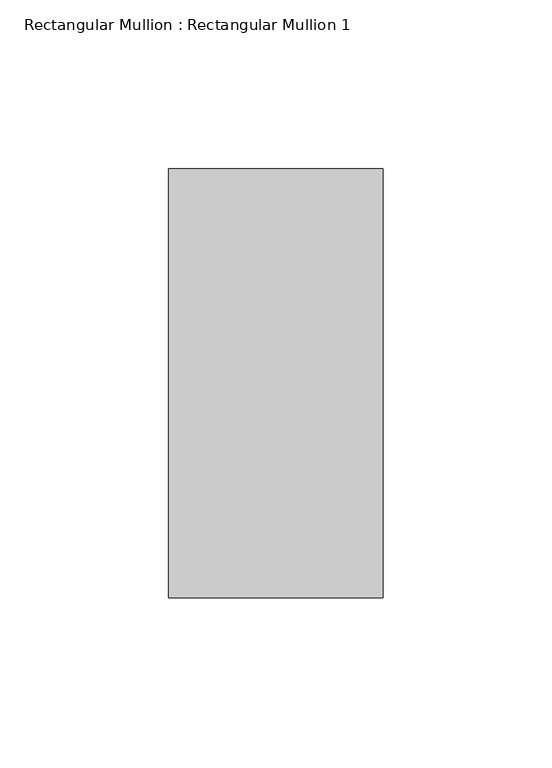
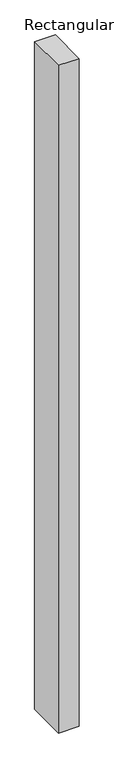
"""IFC4 building model written with IfcOpenShell, lengths in millimetres: member geometry, Rectangular Mullion : Rectangular Mullion 1."""

import ifcopenshell
import ifcopenshell.guid

model = None  # the IFC model being written
_history = None  # IfcOwnerHistory: only IFC2X3 demands one
_inside = {}  # id of a spatial element -> (the spatial element, [elements in it])
_under = {}  # id of a project, library or spatial element -> (it, [spatial elements below it])
_declared = {}  # id of a project -> (the project, [libraries it declares])
_typed = {}  # id of a type object -> (the type object, [elements of that type])
_made_of = {}  # id of a material, layer set ... -> (it, [elements and type objects made of it])


def new_model(schema):
    """Start an empty IFC model of exactly this schema.

    Asked for "IFC4X3", IfcOpenShell would pick the latest addendum, in which some entities
    have other attributes; the version numbers below select the first issue.
    IFC2X3 requires an IfcOwnerHistory on every rooted entity: one is made here for all.
    """
    global model, _history
    if schema == "IFC4X3":
        model = ifcopenshell.file(schema_version=(4, 3, 0, 0))
    else:
        model = ifcopenshell.file(schema=schema)
    _inside.clear()
    _under.clear()
    _declared.clear()
    _typed.clear()
    _made_of.clear()
    _history = None
    if model.schema == "IFC2X3":
        org = make("IfcOrganization", Name="unknown")
        user = make(
            "IfcPersonAndOrganization",
            ThePerson=make("IfcPerson", FamilyName="unknown"),
            TheOrganization=org,
        )
        app = make(
            "IfcApplication",
            ApplicationDeveloper=org,
            Version="unknown",
            ApplicationFullName="unknown",
            ApplicationIdentifier="unknown",
        )
        _history = make(
            "IfcOwnerHistory",
            OwningUser=user,
            OwningApplication=app,
            ChangeAction="ADDED",
            CreationDate=0,
        )
    return model


def make(cls, **values):
    """One entity of the class cls with the attributes given. An attribute that is None is left unset."""
    return model.create_entity(
        cls, **{name: value for name, value in values.items() if value is not None}
    )


def rooted(cls, **values):
    """An entity with a GlobalId (a new one), such as an element, a storey or a relation."""
    return make(cls, GlobalId=ifcopenshell.guid.new(), OwnerHistory=_history, **values)


def si_unit(unit_type, name, prefix=None):
    """IfcSIUnit, for example si_unit("LENGTHUNIT", "METRE", prefix="MILLI")."""
    return make("IfcSIUnit", UnitType=unit_type, Prefix=prefix, Name=name)


def assignment(units):
    """IfcUnitAssignment: the units of a project."""
    return None if units is None else make("IfcUnitAssignment", Units=units)


def point(xyz):
    """IfcCartesianPoint."""
    return None if xyz is None else make("IfcCartesianPoint", Coordinates=xyz)


def direction(xyz):
    """IfcDirection."""
    return None if xyz is None else make("IfcDirection", DirectionRatios=xyz)


def frame(location, z_axis=None, x_axis=None):
    """IfcAxis2Placement3D, a coordinate frame: its origin and axes. An axis left out is left unset."""
    return make(
        "IfcAxis2Placement3D",
        Location=point(location),
        Axis=direction(z_axis),
        RefDirection=direction(x_axis),
    )


def origin():
    """The frame at (0, 0, 0) with its axes left unset."""
    return frame((0.0, 0.0, 0.0))


def place(relative_to, where):
    """IfcLocalPlacement: puts the frame where relative to a parent placement (None: the world)."""
    return make(
        "IfcLocalPlacement", PlacementRelTo=relative_to, RelativePlacement=where
    )


def context(
    kind, dimensions, precision=None, world=None, true_north=None, identifier=None
):
    """IfcGeometricRepresentationContext, for example the 3D "Model" context."""
    return make(
        "IfcGeometricRepresentationContext",
        ContextIdentifier=identifier,
        ContextType=kind,
        CoordinateSpaceDimension=dimensions,
        Precision=precision,
        WorldCoordinateSystem=world,
        TrueNorth=true_north,
    )


def project(units=None, contexts=None):
    """IfcProject with its units and contexts."""
    return rooted(
        "IfcProject",
        Name="project",
        RepresentationContexts=contexts,
        UnitsInContext=assignment(units),
    )


def spatial(cls, under=None, at=None, **own):
    """A site, building, storey or space (cls), placed at a placement, below another one or the project."""
    s = rooted(cls, ObjectPlacement=at, **own)
    if under is not None:
        _under.setdefault(under.id(), (under, []))[1].append(s)
    return s


def polyline(points):
    """IfcPolyline through the points."""
    return make("IfcPolyline", Points=[point(p) for p in points])


def outline(outer, holes=None, kind="AREA"):
    """IfcArbitraryClosedProfileDef: a profile drawn as a closed curve; with holes, ...WithVoids."""
    if holes is None:
        return make("IfcArbitraryClosedProfileDef", ProfileType=kind, OuterCurve=outer)
    return make(
        "IfcArbitraryProfileDefWithVoids",
        ProfileType=kind,
        OuterCurve=outer,
        InnerCurves=holes,
    )


def extrude(swept, where, along, depth):
    """IfcExtrudedAreaSolid: the profile swept, set in the frame where, extruded along a direction by depth."""
    return make(
        "IfcExtrudedAreaSolid",
        SweptArea=swept,
        Position=where,
        ExtrudedDirection=direction(along),
        Depth=depth,
    )


def shape(context_of_items, identifier, shape_type, items):
    """IfcShapeRepresentation: the items that make up one representation, for example the "Body"."""
    return make(
        "IfcShapeRepresentation",
        ContextOfItems=context_of_items,
        RepresentationIdentifier=identifier,
        RepresentationType=shape_type,
        Items=items,
    )


def source(mapping_origin, context_of_items, identifier, shape_type, items):
    """IfcRepresentationMap: a shape defined once, which mapped items show again and again."""
    return make(
        "IfcRepresentationMap",
        MappingOrigin=mapping_origin,
        MappedRepresentation=shape(context_of_items, identifier, shape_type, items),
    )


def transform(
    local_origin,
    x_axis=None,
    y_axis=None,
    z_axis=None,
    scale=None,
    scale2=None,
    scale3=None,
    uniform=True,
):
    """IfcCartesianTransformationOperator3D, or its non-uniform kind. x_axis, y_axis, z_axis: its Axis1, 2, 3."""
    if uniform:
        return make(
            "IfcCartesianTransformationOperator3D",
            Axis1=direction(x_axis),
            Axis2=direction(y_axis),
            LocalOrigin=point(local_origin),
            Scale=scale,
            Axis3=direction(z_axis),
        )
    return make(
        "IfcCartesianTransformationOperator3DnonUniform",
        Axis1=direction(x_axis),
        Axis2=direction(y_axis),
        LocalOrigin=point(local_origin),
        Scale=scale,
        Axis3=direction(z_axis),
        Scale2=scale2,
        Scale3=scale3,
    )


def mapped(mapping_source, mapping_target):
    """IfcMappedItem: shows the shape of a source again, moved by a transform."""
    return make(
        "IfcMappedItem", MappingSource=mapping_source, MappingTarget=mapping_target
    )


def made_of(thing, what):
    """Note that an element or type object is made of a material, layer set ...; save() writes the relation."""
    if what is not None:
        _made_of.setdefault(what.id(), (what, []))[1].append(thing)
    return thing


def element(
    cls,
    number,
    at=None,
    inside=None,
    cuts=None,
    type_object=None,
    material=None,
    context=None,
    identifier="Body",
    shape_type=None,
    held_by="IfcProductDefinitionShape",
    body=None,
    shapes=None,
    **own,
):
    """One element of the class cls, such as IfcWall. Its Tag is "e" and its number.

    at: its placement. inside: the storey or other place that contains it. cuts: it is an
    opening in that element (IfcRelVoidsElement). A single representation is given by context,
    identifier, shape_type and body (its items); several are given by shapes. held_by: the class
    of the entity that holds the representations. save() writes the other relations.
    """
    e = rooted(cls, Tag="e%d" % number, ObjectPlacement=at, **own)
    if body is not None:
        shapes = [shape(context, identifier, shape_type, body)]
    if shapes is not None:
        e.Representation = make(held_by, Representations=shapes)
    if inside is not None:
        _inside.setdefault(inside.id(), (inside, []))[1].append(e)
    if cuts is not None:
        rooted(
            "IfcRelVoidsElement", RelatingBuildingElement=cuts, RelatedOpeningElement=e
        )
    if type_object is not None:
        _typed.setdefault(type_object.id(), (type_object, []))[1].append(e)
    return made_of(e, material)


def aggregate(whole, parts):
    """IfcRelAggregates: a whole, such as a stair, and the parts it consists of."""
    return rooted("IfcRelAggregates", RelatingObject=whole, RelatedObjects=parts)


def save(model, path):
    """Write the relations noted so far, then the file.

    IfcRelAggregates (storeys below a building ...), IfcRelContainedInSpatialStructure (elements
    in a storey), IfcRelDefinesByType, IfcRelAssociatesMaterial and IfcRelDeclares: one each for
    every whole, place, type object, material and project.
    """
    for whole, parts in _under.values():
        aggregate(whole, parts)
    for where, things in _inside.values():
        rooted(
            "IfcRelContainedInSpatialStructure",
            RelatedElements=things,
            RelatingStructure=where,
        )
    for kind, things in _typed.values():
        rooted("IfcRelDefinesByType", RelatedObjects=things, RelatingType=kind)
    for what, things in _made_of.values():
        rooted("IfcRelAssociatesMaterial", RelatedObjects=things, RelatingMaterial=what)
    for by, libraries in _declared.values():
        rooted("IfcRelDeclares", RelatingContext=by, RelatedDefinitions=libraries)
    model.write(path)


def rectangular_mullion_rectangular_mullion_1_3a5e19b0(model_context):
    return source(origin(), model_context, "Body", "SweptSolid", [
        extrude(outline(polyline([(31.75, 63.5), (31.75, -63.5), (-31.75, -63.5), (-31.75, 63.5), (31.75, 63.5)])), frame((0.0, 0.0, -2171.7), z_axis=(0.0, 0.0, 1.0), x_axis=(1.0, 0.0, 0.0)), (0.0, 0.0, 1.0), 2171.7),
    ])


if __name__ == "__main__":
    model = new_model("IFC4")
    model_context = context("Model", 3, world=origin())
    ifc_project = project(units=[si_unit("LENGTHUNIT", "METRE", prefix="MILLI")], contexts=[model_context])
    site = spatial("IfcSite", under=ifc_project)
    building = spatial("IfcBuilding", under=site)
    placement = place(None, origin())
    rectangular_mullion_rectangular_mullion_1_shape = rectangular_mullion_rectangular_mullion_1_3a5e19b0(model_context)
    element("IfcMember", 1, ObjectType="Rectangular Mullion : Rectangular Mullion 1", at=placement, inside=building, context=model_context, shape_type="MappedRepresentation", body=[
        mapped(rectangular_mullion_rectangular_mullion_1_shape, transform((0.0, 0.0, 0.0), x_axis=(1.0, 0.0, 0.0), y_axis=(0.0, 1.0, 0.0), z_axis=(0.0, 0.0, 1.0))),
    ])
    save(model, "model.ifc")
